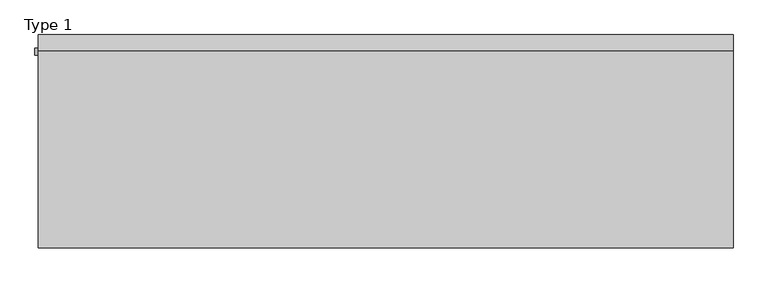
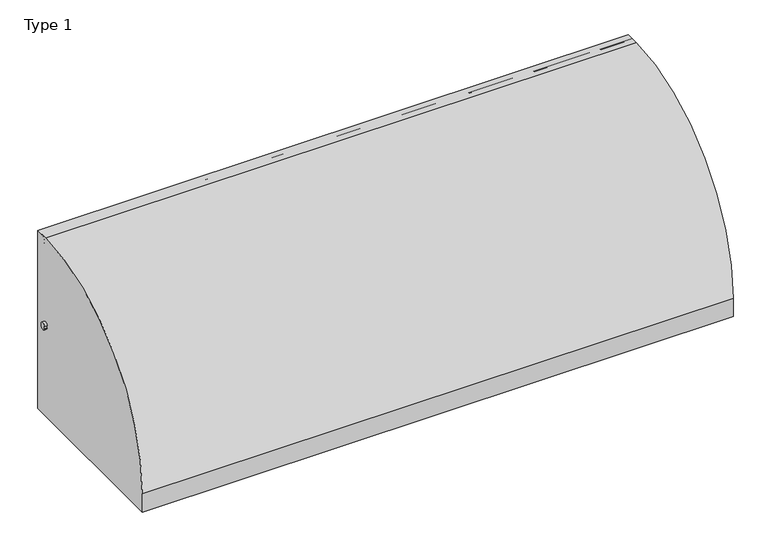
"""IFC4 building model written with IfcOpenShell, lengths in millimetres: railing geometry, Type 1."""

from ifc_helpers import new_model, si_unit, point, frame, frame_2d, origin, origin_with_axes, place, context, project, spatial, polyline, circle_curve, trimmed, segment, composite_curve, outline, extrude, source, transform, mapped, element, save
from ifc_brep_helpers import plane_surface, cylinder_surface, revolved_surface, advanced_brep


def type_1_6a43d6e7(model_context):
    return source(origin(), model_context, "Body", "SolidModel", [
        extrude(outline(composite_curve([segment(polyline([(209.2, 1050.0), (209.2, 0.0), (-802.2, 0.0), (-802.2, 108.0)]), True, "CONTINUOUS"), segment(trimmed(circle_curve(frame_2d((139.8273072, 108.0)), 942.0273072), [point((-802.2, 108.0))], [point((132.6546144, 1050.0))], False, "CARTESIAN"), True, "CONTINUOUS"), segment(polyline([(132.6546144, 1050.0), (209.2, 1050.0)]), True, "CONTINUOUS")], self_intersect=False)), frame((-395.0, 0.0, 0.0), z_axis=(1.0, 0.0, 0.0), x_axis=(0.0, 1.0, 0.0)), (0.0, 0.0, 1.0), 3295.0),
        extrude(outline(composite_curve([segment(polyline([(112.7, 530.617273), (116.7, 530.617273), (116.7, 545.382727), (112.7, 545.382727)]), True, "CONTINUOUS"), segment(trimmed(circle_curve(frame_2d((131.287505, 538.0)), 20.0), [point((112.7, 545.382727))], [point((147.0, 550.3740657))], False, "CARTESIAN"), True, "CONTINUOUS"), segment(polyline([(147.0, 550.3740657), (147.0, 525.6259343)]), True, "CONTINUOUS"), segment(trimmed(circle_curve(frame_2d((131.287505, 538.0)), 20.0), [point((147.0, 525.6259343))], [point((112.7, 530.617273))], False, "CARTESIAN"), True, "CONTINUOUS")], self_intersect=False)), frame((-410.0, 0.0, 0.0), z_axis=(1.0, 0.0, 0.0), x_axis=(0.0, 1.0, 0.0)), (0.0, 0.0, 1.0), 3260.0),
        extrude(outline(composite_curve([segment(polyline([(187.0, 1011.43534), (187.0, 993.0), (186.0, 993.0), (186.0, 1008.0), (146.0, 1008.0), (146.0, 993.0), (145.0, 993.0), (145.0, 1011.43534)]), True, "CONTINUOUS"), segment(trimmed(circle_curve(frame_2d((166.0, 1025.0)), 25.0), [point((145.0, 1011.43534))], [point((187.0, 1011.43534))], False, "CARTESIAN"), True, "CONTINUOUS")], self_intersect=False)), frame((-395.0, 0.0, 0.0), z_axis=(1.0, 0.0, 0.0), x_axis=(0.0, 1.0, 0.0)), (0.0, 0.0, 1.0), 3295.0),
        extrude(outline(polyline([(1170.0, 185.0), (1215.0, 185.0), (1215.0, 0.0), (1170.0, 0.0), (1170.0, 185.0)])), origin_with_axes(), (0.0, 0.0, 1.0), 2.5),
        extrude(outline(composite_curve([segment(polyline([(185.0, 185.0), (185.0, 0.0), (0.0, 0.0), (0.0, 54.9560848)]), True, "CONTINUOUS"), segment(trimmed(circle_curve(frame_2d((15.0, 54.9560848)), 15.0), [point((0.0, 54.9560848))], [point((4.3933983, 65.5626865))], False, "CARTESIAN"), True, "CONTINUOUS"), segment(polyline([(4.3933983, 65.5626865), (102.485009, 163.6542973)]), True, "CONTINUOUS"), segment(trimmed(circle_curve(frame_2d((154.0180942, 112.1212122)), 72.8787879), [point((102.485009, 163.6542973))], [point((154.0180942, 185.0))], False, "CARTESIAN"), True, "CONTINUOUS"), segment(polyline([(154.0180942, 185.0), (185.0, 185.0)]), True, "CONTINUOUS")], self_intersect=False), holes=[composite_curve([segment(trimmed(circle_curve(frame_2d((165.5151515, 93.0361975)), 67.389419), [point((98.1257325, 93.0361975))], [point((157.417745, 159.9373619))], False, "CARTESIAN"), True, "CONTINUOUS"), segment(trimmed(circle_curve(frame_2d((157.6849895, 157.7293747)), 2.2241014), [point((157.417745, 159.9373619))], [point((159.9090909, 157.7293747))], False, "CARTESIAN"), True, "CONTINUOUS"), segment(polyline([(159.9090909, 157.7293747), (159.9090909, 143.5676849)]), True, "CONTINUOUS"), segment(trimmed(circle_curve(frame_2d((165.5151515, 143.5676849)), 5.6060606), [point((159.9090909, 143.5676849))], [point((171.1212121, 143.5676849))], True, "CARTESIAN"), True, "CONTINUOUS"), segment(polyline([(171.1212121, 143.5676849), (171.1212121, 166.0316771)]), True, "CONTINUOUS"), segment(trimmed(circle_curve(frame_2d((165.5151515, 166.0316771)), 5.6060606), [point((171.1212121, 166.0316771))], [point((165.5151515, 171.6377377))], True, "CARTESIAN"), True, "CONTINUOUS"), segment(trimmed(circle_curve(frame_2d((165.5151515, 93.0361975)), 78.6015402), [point((165.5151515, 171.6377377))], [point((86.9136113, 93.0361975))], True, "CARTESIAN"), True, "CONTINUOUS"), segment(trimmed(circle_curve(frame_2d((92.5196719, 93.0361975)), 5.6060606), [point((86.9136113, 93.0361975))], [point((98.1257325, 93.0361975))], True, "CARTESIAN"), True, "CONTINUOUS")], self_intersect=False)]), frame((1215.0, 0.0, 0.0), z_axis=(1.0, 0.0, 0.0), x_axis=(0.0, 1.0, 0.0)), (0.0, 0.0, 1.0), 3.0),
        advanced_brep(
        [(1282.0, 185.0, 185.0), (1282.0, 185.0, 100.9768515), (1282.0, 185.0, 0.0), (1282.0, 0.0, 0.0), (1282.0, 0.0, 54.9560848), (1282.0, 4.3933983, 65.5626865), (1282.0, 102.485009, 163.6542973), (1282.0, 154.0180942, 185.0), (1282.0, 98.1257325, 93.0361975), (1282.0, 157.417745, 159.9373619), (1282.0, 159.9090909, 157.7293747), (1282.0, 159.9090909, 143.5676849), (1282.0, 171.1212121, 143.5676849), (1282.0, 171.1212121, 166.0316771), (1282.0, 165.5151515, 171.6377377), (1282.0, 86.9136113, 93.0361975), (1285.0, 0.0, 54.9560848), (1285.0, 0.0, 2.5), (1285.0, 185.0, 2.5), (1285.0, 185.0, 100.9768515), (1285.0, 188.0, 100.9768515), (1285.0, 188.0, 185.0), (1285.0, 154.0180942, 185.0), (1285.0, 102.485009, 163.6542973), (1285.0, 4.3933983, 65.5626865), (1285.0, 98.1257325, 93.0361975), (1285.0, 86.9136113, 93.0361975), (1285.0, 165.5151515, 171.6377377), (1285.0, 171.1212121, 166.0316771), (1285.0, 171.1212121, 143.5676849), (1285.0, 159.9090909, 143.5676849), (1285.0, 159.9090909, 157.7293747), (1285.0, 157.417745, 159.9373619), (1215.0, 188.0, 185.0), (1215.0, 185.0, 185.0), (1330.0, 0.0, 0.0), (1330.0, 0.0, 2.5), (1330.0, 185.0, 0.0), (1330.0, 185.0, 2.5), (1215.0, 188.0, 100.9768515), (1215.0, 185.0, 100.9768515)],
        [
            (0, 1),
            (1, 2),
            (2, 3),
            (3, 4),
            (4, 5, circle_curve(frame((1282.0, 15.0, 54.9560848), z_axis=(-1.0, 0.0, 0.0), x_axis=(0.0, 1.0, 0.0)), 15.0)),
            (5, 6),
            (6, 7, circle_curve(frame((1282.0, 154.0180942, 112.1212122), z_axis=(-1.0, 0.0, 0.0), x_axis=(0.0, 1.0, 0.0)), 72.8787879)),
            (7, 0),
            (8, 9, circle_curve(frame((1282.0, 165.5151515, 93.0361975), z_axis=(-1.0, 0.0, 0.0), x_axis=(0.0, 1.0, 0.0)), 67.389419)),
            (9, 10, circle_curve(frame((1282.0, 157.6849895, 157.7293747), z_axis=(-1.0, 0.0, 0.0), x_axis=(0.0, 1.0, 0.0)), 2.2241014)),
            (10, 11),
            (11, 12, circle_curve(frame((1282.0, 165.5151515, 143.5676849), z_axis=(1.0, 0.0, 0.0), x_axis=(0.0, 1.0, 0.0)), 5.6060606)),
            (12, 13),
            (13, 14, circle_curve(frame((1282.0, 165.5151515, 166.0316771), z_axis=(1.0, 0.0, 0.0), x_axis=(0.0, 1.0, 0.0)), 5.6060606)),
            (14, 15, circle_curve(frame((1282.0, 165.5151515, 93.0361975), z_axis=(1.0, 0.0, 0.0), x_axis=(0.0, 1.0, 0.0)), 78.6015402)),
            (15, 8, circle_curve(frame((1282.0, 92.5196719, 93.0361975), z_axis=(1.0, 0.0, 0.0), x_axis=(0.0, 1.0, 0.0)), 5.6060606)),
            (16, 17),
            (17, 18),
            (18, 19),
            (19, 20),
            (20, 21),
            (21, 22),
            (22, 23, circle_curve(frame((1285.0, 154.0180942, 112.1212122), z_axis=(1.0, 0.0, 0.0), x_axis=(0.0, 1.0, 0.0)), 72.8787879)),
            (23, 24),
            (24, 16, circle_curve(frame((1285.0, 15.0, 54.9560848), z_axis=(1.0, 0.0, 0.0), x_axis=(0.0, 1.0, 0.0)), 15.0)),
            (25, 26, circle_curve(frame((1285.0, 92.5196719, 93.0361975), z_axis=(-1.0, 0.0, 0.0), x_axis=(0.0, 1.0, 0.0)), 5.6060606)),
            (26, 27, circle_curve(frame((1285.0, 165.5151515, 93.0361975), z_axis=(-1.0, 0.0, 0.0), x_axis=(0.0, 1.0, 0.0)), 78.6015402)),
            (27, 28, circle_curve(frame((1285.0, 165.5151515, 166.0316771), z_axis=(-1.0, 0.0, 0.0), x_axis=(0.0, 1.0, 0.0)), 5.6060606)),
            (28, 29),
            (29, 30, circle_curve(frame((1285.0, 165.5151515, 143.5676849), z_axis=(-1.0, 0.0, 0.0), x_axis=(0.0, 1.0, 0.0)), 5.6060606)),
            (30, 31),
            (31, 32, circle_curve(frame((1285.0, 157.6849895, 157.7293747), z_axis=(1.0, 0.0, 0.0), x_axis=(0.0, 1.0, 0.0)), 2.2241014)),
            (32, 25, circle_curve(frame((1285.0, 165.5151515, 93.0361975), z_axis=(1.0, 0.0, 0.0), x_axis=(0.0, 1.0, 0.0)), 67.389419)),
            (7, 22),
            (21, 33),
            (33, 34),
            (34, 0),
            (6, 23),
            (5, 24),
            (4, 16),
            (3, 35),
            (35, 36),
            (36, 17),
            (2, 37),
            (37, 35),
            (1, 19),
            (18, 38),
            (38, 37),
            (15, 26),
            (25, 8),
            (14, 27),
            (13, 28),
            (32, 9),
            (12, 29),
            (11, 30),
            (10, 31),
            (20, 39),
            (39, 33),
            (40, 1),
            (34, 40),
            (39, 40),
            (36, 38),
        ],
        [
            plane_surface(frame((1282.0, 183.2270223, 185.0), z_axis=(-1.0, 0.0, 0.0), x_axis=(0.0, -1.0, 0.0))),
            plane_surface(frame((1285.0, 183.2270223, 185.0), z_axis=(1.0, 0.0, 0.0), x_axis=(0.0, 1.0, 0.0))),
            plane_surface(frame((1282.0, 185.0, 185.0), z_axis=(0.0, 0.0, 1.0), x_axis=(1.0, 0.0, 0.0))),
            cylinder_surface(frame((1285.0, 154.0180942, 112.1212122), z_axis=(-1.0, 0.0, 0.0), x_axis=(0.0, 1.0, 0.0)), 72.8787879),
            plane_surface(frame((1282.0, 102.485009, 163.6542973), z_axis=(0.0, -0.7071067811865421, 0.707106781186553), x_axis=(1.0, 0.0, 0.0))),
            cylinder_surface(frame((1285.0, 15.0, 54.9560848), z_axis=(-1.0, 0.0, 0.0), x_axis=(0.0, 1.0, 0.0)), 15.0),
            plane_surface(frame((1282.0, 0.0, 54.9560848), z_axis=(0.0, -1.0, 0.0), x_axis=(1.0, 0.0, 0.0))),
            plane_surface(frame((1282.0, 0.0, 0.0), z_axis=(0.0, 0.0, -1.0), x_axis=(1.0, 0.0, 0.0))),
            plane_surface(frame((1282.0, 185.0, 0.0), z_axis=(0.0, 1.0, 0.0), x_axis=(1.0, 0.0, 0.0))),
            revolved_surface(polyline([(1285.0, 98.12573250000001, 93.0361975), (1282.0, 98.12573250000001, 93.0361975)]), (1285.0, 92.5196719, 93.0361975), (1.0, 0.0, 0.0)),
            revolved_surface(polyline([(1285.0, 244.1166917, 93.0361975), (1282.0, 244.1166917, 93.0361975)]), (1285.0, 165.5151515, 93.0361975), (1.0, 0.0, 0.0)),
            revolved_surface(polyline([(1285.0, 171.1212121, 166.0316771), (1282.0, 171.1212121, 166.0316771)]), (1285.0, 165.5151515, 166.0316771), (1.0, 0.0, 0.0)),
            cylinder_surface(frame((1285.0, 165.5151515, 93.0361975), z_axis=(-1.0, 0.0, 0.0), x_axis=(0.0, 1.0, 0.0)), 67.389419),
            plane_surface(frame((1282.0, 171.1212121, 166.0316771), z_axis=(0.0, -1.0, 0.0), x_axis=(1.0, 0.0, 0.0))),
            revolved_surface(polyline([(1285.0, 171.1212121, 143.5676849), (1282.0, 171.1212121, 143.5676849)]), (1285.0, 165.5151515, 143.5676849), (1.0, 0.0, 0.0)),
            plane_surface(frame((1282.0, 159.9090909, 143.5676849), z_axis=(0.0, 1.0, 0.0), x_axis=(1.0, 0.0, 0.0))),
            cylinder_surface(frame((1285.0, 157.6849895, 157.7293747), z_axis=(-1.0, 0.0, 0.0), x_axis=(0.0, 1.0, 0.0)), 2.2241014),
            plane_surface(frame((1215.0, 188.0, 185.0), z_axis=(0.0, 1.0, 0.0), x_axis=(-1.0, 0.0, 0.0))),
            plane_surface(frame((1215.0, 185.0, 185.0), z_axis=(0.0, -1.0, 0.0), x_axis=(1.0, 0.0, 0.0))),
            plane_surface(frame((1215.0, 188.0, 185.0), z_axis=(-1.0, 0.0, 0.0), x_axis=(0.0, -1.0, 0.0))),
            plane_surface(frame((1215.0, 188.0, 100.9768515), z_axis=(0.0, 0.0, -1.0), x_axis=(0.0, -1.0, 0.0))),
            plane_surface(frame((1330.0, 185.0, 2.5), z_axis=(0.0, 0.0, 1.0), x_axis=(0.0, -1.0, 0.0))),
            plane_surface(frame((1330.0, 185.0, 2.5), z_axis=(1.0, 0.0, 0.0), x_axis=(0.0, 0.0, -1.0))),
        ],
        [
            (0, [[1, 2, 3, 4, 5, 6, 7, 8], [9, 10, 11, 12, 13, 14, 15, 16]]),
            (1, [[17, 18, 19, 20, 21, 22, 23, 24, 25], [26, 27, 28, 29, 30, 31, 32, 33]]),
            (2, [[34, -22, 35, 36, 37, -8]]),
            (3, [[38, -23, -34, -7]]),
            (4, [[39, -24, -38, -6]]),
            (5, [[40, -25, -39, -5]]),
            (6, [[41, 42, 43, -17, -40, -4]]),
            (7, [[44, 45, -41, -3]]),
            (8, [[-2, 46, -19, 47, 48, -44]]),
            (9, [[49, -26, 50, -16]]),
            (10, [[51, -27, -49, -15]]),
            (11, [[52, -28, -51, -14]]),
            (12, [[-50, -33, 53, -9]]),
            (13, [[54, -29, -52, -13]]),
            (14, [[55, -30, -54, -12]]),
            (15, [[56, -31, -55, -11]]),
            (16, [[-53, -32, -56, -10]]),
            (17, [[-21, 57, 58, -35]]),
            (18, [[59, -1, -37, 60]]),
            (19, [[61, -60, -36, -58]]),
            (20, [[-20, -46, -59, -61, -57]]),
            (21, [[-47, -18, -43, 62]]),
            (22, [[-42, -45, -48, -62]]),
        ],
    ),
        extrude(outline(composite_curve([segment(polyline([(1227.0, 185.0), (1273.0, 185.0)]), True, "CONTINUOUS"), segment(trimmed(circle_curve(frame_2d((1273.0, 180.0)), 5.0), [point((1273.0, 185.0))], [point((1278.0, 180.0))], False, "CARTESIAN"), True, "CONTINUOUS"), segment(polyline([(1278.0, 180.0), (1278.0, 152.0)]), True, "CONTINUOUS"), segment(trimmed(circle_curve(frame_2d((1273.0, 152.0)), 5.0), [point((1278.0, 152.0))], [point((1273.0, 147.0))], False, "CARTESIAN"), True, "CONTINUOUS"), segment(polyline([(1273.0, 147.0), (1227.0, 147.0)]), True, "CONTINUOUS"), segment(trimmed(circle_curve(frame_2d((1227.0, 152.0)), 5.0), [point((1227.0, 147.0))], [point((1222.0, 152.0))], False, "CARTESIAN"), True, "CONTINUOUS"), segment(polyline([(1222.0, 152.0), (1222.0, 180.0)]), True, "CONTINUOUS"), segment(trimmed(circle_curve(frame_2d((1227.0, 180.0)), 5.0), [point((1222.0, 180.0))], [point((1227.0, 185.0))], False, "CARTESIAN"), True, "CONTINUOUS")], self_intersect=False)), frame((0.0, 0.0, 43.0), z_axis=(0.0, 0.0, 1.0), x_axis=(1.0, 0.0, 0.0)), (0.0, 0.0, 1.0), 965.0),
        extrude(outline(polyline([(2392.0, 185.0), (2437.0, 185.0), (2437.0, 0.0), (2392.0, 0.0), (2392.0, 185.0)])), origin_with_axes(), (0.0, 0.0, 1.0), 2.5),
        extrude(outline(composite_curve([segment(polyline([(185.0, 185.0), (185.0, 0.0), (0.0, 0.0), (0.0, 54.9560848)]), True, "CONTINUOUS"), segment(trimmed(circle_curve(frame_2d((15.0, 54.9560848)), 15.0), [point((0.0, 54.9560848))], [point((4.3933983, 65.5626865))], False, "CARTESIAN"), True, "CONTINUOUS"), segment(polyline([(4.3933983, 65.5626865), (102.485009, 163.6542973)]), True, "CONTINUOUS"), segment(trimmed(circle_curve(frame_2d((154.0180942, 112.1212122)), 72.8787879), [point((102.485009, 163.6542973))], [point((154.0180942, 185.0))], False, "CARTESIAN"), True, "CONTINUOUS"), segment(polyline([(154.0180942, 185.0), (185.0, 185.0)]), True, "CONTINUOUS")], self_intersect=False), holes=[composite_curve([segment(trimmed(circle_curve(frame_2d((165.5151515, 93.0361975)), 67.389419), [point((98.1257325, 93.0361975))], [point((157.417745, 159.9373619))], False, "CARTESIAN"), True, "CONTINUOUS"), segment(trimmed(circle_curve(frame_2d((157.6849895, 157.7293747)), 2.2241014), [point((157.417745, 159.9373619))], [point((159.9090909, 157.7293747))], False, "CARTESIAN"), True, "CONTINUOUS"), segment(polyline([(159.9090909, 157.7293747), (159.9090909, 143.5676849)]), True, "CONTINUOUS"), segment(trimmed(circle_curve(frame_2d((165.5151515, 143.5676849)), 5.6060606), [point((159.9090909, 143.5676849))], [point((171.1212121, 143.5676849))], True, "CARTESIAN"), True, "CONTINUOUS"), segment(polyline([(171.1212121, 143.5676849), (171.1212121, 166.0316771)]), True, "CONTINUOUS"), segment(trimmed(circle_curve(frame_2d((165.5151515, 166.0316771)), 5.6060606), [point((171.1212121, 166.0316771))], [point((165.5151515, 171.6377377))], True, "CARTESIAN"), True, "CONTINUOUS"), segment(trimmed(circle_curve(frame_2d((165.5151515, 93.0361975)), 78.6015402), [point((165.5151515, 171.6377377))], [point((86.9136113, 93.0361975))], True, "CARTESIAN"), True, "CONTINUOUS"), segment(trimmed(circle_curve(frame_2d((92.5196719, 93.0361975)), 5.6060606), [point((86.9136113, 93.0361975))], [point((98.1257325, 93.0361975))], True, "CARTESIAN"), True, "CONTINUOUS")], self_intersect=False)]), frame((2437.0, 0.0, 0.0), z_axis=(1.0, 0.0, 0.0), x_axis=(0.0, 1.0, 0.0)), (0.0, 0.0, 1.0), 3.0),
        advanced_brep(
        [(2504.0, 185.0, 185.0), (2504.0, 185.0, 100.9768515), (2504.0, 185.0, 0.0), (2504.0, 0.0, 0.0), (2504.0, 0.0, 54.9560848), (2504.0, 4.3933983, 65.5626865), (2504.0, 102.485009, 163.6542973), (2504.0, 154.0180942, 185.0), (2504.0, 98.1257325, 93.0361975), (2504.0, 157.417745, 159.9373619), (2504.0, 159.9090909, 157.7293747), (2504.0, 159.9090909, 143.5676849), (2504.0, 171.1212121, 143.5676849), (2504.0, 171.1212121, 166.0316771), (2504.0, 165.5151515, 171.6377377), (2504.0, 86.9136113, 93.0361975), (2507.0, 0.0, 54.9560848), (2507.0, 0.0, 2.5), (2507.0, 185.0, 2.5), (2507.0, 185.0, 100.9768515), (2507.0, 188.0, 100.9768515), (2507.0, 188.0, 185.0), (2507.0, 154.0180942, 185.0), (2507.0, 102.485009, 163.6542973), (2507.0, 4.3933983, 65.5626865), (2507.0, 98.1257325, 93.0361975), (2507.0, 86.9136113, 93.0361975), (2507.0, 165.5151515, 171.6377377), (2507.0, 171.1212121, 166.0316771), (2507.0, 171.1212121, 143.5676849), (2507.0, 159.9090909, 143.5676849), (2507.0, 159.9090909, 157.7293747), (2507.0, 157.417745, 159.9373619), (2437.0, 188.0, 185.0), (2437.0, 185.0, 185.0), (2552.0, 0.0, 0.0), (2552.0, 0.0, 2.5), (2552.0, 185.0, 0.0), (2552.0, 185.0, 2.5), (2437.0, 188.0, 100.9768515), (2437.0, 185.0, 100.9768515)],
        [
            (0, 1),
            (1, 2),
            (2, 3),
            (3, 4),
            (4, 5, circle_curve(frame((2504.0, 15.0, 54.9560848), z_axis=(-1.0, 0.0, 0.0), x_axis=(0.0, 1.0, 0.0)), 15.0)),
            (5, 6),
            (6, 7, circle_curve(frame((2504.0, 154.0180942, 112.1212122), z_axis=(-1.0, 0.0, 0.0), x_axis=(0.0, 1.0, 0.0)), 72.8787879)),
            (7, 0),
            (8, 9, circle_curve(frame((2504.0, 165.5151515, 93.0361975), z_axis=(-1.0, 0.0, 0.0), x_axis=(0.0, 1.0, 0.0)), 67.389419)),
            (9, 10, circle_curve(frame((2504.0, 157.6849895, 157.7293747), z_axis=(-1.0, 0.0, 0.0), x_axis=(0.0, 1.0, 0.0)), 2.2241014)),
            (10, 11),
            (11, 12, circle_curve(frame((2504.0, 165.5151515, 143.5676849), z_axis=(1.0, 0.0, 0.0), x_axis=(0.0, 1.0, 0.0)), 5.6060606)),
            (12, 13),
            (13, 14, circle_curve(frame((2504.0, 165.5151515, 166.0316771), z_axis=(1.0, 0.0, 0.0), x_axis=(0.0, 1.0, 0.0)), 5.6060606)),
            (14, 15, circle_curve(frame((2504.0, 165.5151515, 93.0361975), z_axis=(1.0, 0.0, 0.0), x_axis=(0.0, 1.0, 0.0)), 78.6015402)),
            (15, 8, circle_curve(frame((2504.0, 92.5196719, 93.0361975), z_axis=(1.0, 0.0, 0.0), x_axis=(0.0, 1.0, 0.0)), 5.6060606)),
            (16, 17),
            (17, 18),
            (18, 19),
            (19, 20),
            (20, 21),
            (21, 22),
            (22, 23, circle_curve(frame((2507.0, 154.0180942, 112.1212122), z_axis=(1.0, 0.0, 0.0), x_axis=(0.0, 1.0, 0.0)), 72.8787879)),
            (23, 24),
            (24, 16, circle_curve(frame((2507.0, 15.0, 54.9560848), z_axis=(1.0, 0.0, 0.0), x_axis=(0.0, 1.0, 0.0)), 15.0)),
            (25, 26, circle_curve(frame((2507.0, 92.5196719, 93.0361975), z_axis=(-1.0, 0.0, 0.0), x_axis=(0.0, 1.0, 0.0)), 5.6060606)),
            (26, 27, circle_curve(frame((2507.0, 165.5151515, 93.0361975), z_axis=(-1.0, 0.0, 0.0), x_axis=(0.0, 1.0, 0.0)), 78.6015402)),
            (27, 28, circle_curve(frame((2507.0, 165.5151515, 166.0316771), z_axis=(-1.0, 0.0, 0.0), x_axis=(0.0, 1.0, 0.0)), 5.6060606)),
            (28, 29),
            (29, 30, circle_curve(frame((2507.0, 165.5151515, 143.5676849), z_axis=(-1.0, 0.0, 0.0), x_axis=(0.0, 1.0, 0.0)), 5.6060606)),
            (30, 31),
            (31, 32, circle_curve(frame((2507.0, 157.6849895, 157.7293747), z_axis=(1.0, 0.0, 0.0), x_axis=(0.0, 1.0, 0.0)), 2.2241014)),
            (32, 25, circle_curve(frame((2507.0, 165.5151515, 93.0361975), z_axis=(1.0, 0.0, 0.0), x_axis=(0.0, 1.0, 0.0)), 67.389419)),
            (7, 22),
            (21, 33),
            (33, 34),
            (34, 0),
            (6, 23),
            (5, 24),
            (4, 16),
            (3, 35),
            (35, 36),
            (36, 17),
            (2, 37),
            (37, 35),
            (1, 19),
            (18, 38),
            (38, 37),
            (15, 26),
            (25, 8),
            (14, 27),
            (13, 28),
            (32, 9),
            (12, 29),
            (11, 30),
            (10, 31),
            (20, 39),
            (39, 33),
            (40, 1),
            (34, 40),
            (39, 40),
            (36, 38),
        ],
        [
            plane_surface(frame((2504.0, 183.2270223, 185.0), z_axis=(-1.0, 0.0, 0.0), x_axis=(0.0, -1.0, 0.0))),
            plane_surface(frame((2507.0, 183.2270223, 185.0), z_axis=(1.0, 0.0, 0.0), x_axis=(0.0, 1.0, 0.0))),
            plane_surface(frame((2504.0, 185.0, 185.0), z_axis=(0.0, 0.0, 1.0), x_axis=(1.0, 0.0, 0.0))),
            cylinder_surface(frame((2507.0, 154.0180942, 112.1212122), z_axis=(-1.0, 0.0, 0.0), x_axis=(0.0, 1.0, 0.0)), 72.8787879),
            plane_surface(frame((2504.0, 102.485009, 163.6542973), z_axis=(0.0, -0.7071067811865421, 0.707106781186553), x_axis=(1.0, 0.0, 0.0))),
            cylinder_surface(frame((2507.0, 15.0, 54.9560848), z_axis=(-1.0, 0.0, 0.0), x_axis=(0.0, 1.0, 0.0)), 15.0),
            plane_surface(frame((2504.0, 0.0, 54.9560848), z_axis=(0.0, -1.0, 0.0), x_axis=(1.0, 0.0, 0.0))),
            plane_surface(frame((2504.0, 0.0, 0.0), z_axis=(0.0, 0.0, -1.0), x_axis=(1.0, 0.0, 0.0))),
            plane_surface(frame((2504.0, 185.0, 0.0), z_axis=(0.0, 1.0, 0.0), x_axis=(1.0, 0.0, 0.0))),
            revolved_surface(polyline([(2507.0, 98.12573250000001, 93.0361975), (2504.0, 98.12573250000001, 93.0361975)]), (2507.0, 92.5196719, 93.0361975), (1.0, 0.0, 0.0)),
            revolved_surface(polyline([(2507.0, 244.1166917, 93.0361975), (2504.0, 244.1166917, 93.0361975)]), (2507.0, 165.5151515, 93.0361975), (1.0, 0.0, 0.0)),
            revolved_surface(polyline([(2507.0, 171.1212121, 166.0316771), (2504.0, 171.1212121, 166.0316771)]), (2507.0, 165.5151515, 166.0316771), (1.0, 0.0, 0.0)),
            cylinder_surface(frame((2507.0, 165.5151515, 93.0361975), z_axis=(-1.0, 0.0, 0.0), x_axis=(0.0, 1.0, 0.0)), 67.389419),
            plane_surface(frame((2504.0, 171.1212121, 166.0316771), z_axis=(0.0, -1.0, 0.0), x_axis=(1.0, 0.0, 0.0))),
            revolved_surface(polyline([(2507.0, 171.1212121, 143.5676849), (2504.0, 171.1212121, 143.5676849)]), (2507.0, 165.5151515, 143.5676849), (1.0, 0.0, 0.0)),
            plane_surface(frame((2504.0, 159.9090909, 143.5676849), z_axis=(0.0, 1.0, 0.0), x_axis=(1.0, 0.0, 0.0))),
            cylinder_surface(frame((2507.0, 157.6849895, 157.7293747), z_axis=(-1.0, 0.0, 0.0), x_axis=(0.0, 1.0, 0.0)), 2.2241014),
            plane_surface(frame((2437.0, 188.0, 185.0), z_axis=(0.0, 1.0, 0.0), x_axis=(-1.0, 0.0, 0.0))),
            plane_surface(frame((2437.0, 185.0, 185.0), z_axis=(0.0, -1.0, 0.0), x_axis=(1.0, 0.0, 0.0))),
            plane_surface(frame((2437.0, 188.0, 185.0), z_axis=(-1.0, 0.0, 0.0), x_axis=(0.0, -1.0, 0.0))),
            plane_surface(frame((2437.0, 188.0, 100.9768515), z_axis=(0.0, 0.0, -1.0), x_axis=(0.0, -1.0, 0.0))),
            plane_surface(frame((2552.0, 185.0, 2.5), z_axis=(0.0, 0.0, 1.0), x_axis=(0.0, -1.0, 0.0))),
            plane_surface(frame((2552.0, 185.0, 2.5), z_axis=(1.0, 0.0, 0.0), x_axis=(0.0, 0.0, -1.0))),
        ],
        [
            (0, [[1, 2, 3, 4, 5, 6, 7, 8], [9, 10, 11, 12, 13, 14, 15, 16]]),
            (1, [[17, 18, 19, 20, 21, 22, 23, 24, 25], [26, 27, 28, 29, 30, 31, 32, 33]]),
            (2, [[34, -22, 35, 36, 37, -8]]),
            (3, [[38, -23, -34, -7]]),
            (4, [[39, -24, -38, -6]]),
            (5, [[40, -25, -39, -5]]),
            (6, [[41, 42, 43, -17, -40, -4]]),
            (7, [[44, 45, -41, -3]]),
            (8, [[-2, 46, -19, 47, 48, -44]]),
            (9, [[49, -26, 50, -16]]),
            (10, [[51, -27, -49, -15]]),
            (11, [[52, -28, -51, -14]]),
            (12, [[-50, -33, 53, -9]]),
            (13, [[54, -29, -52, -13]]),
            (14, [[55, -30, -54, -12]]),
            (15, [[56, -31, -55, -11]]),
            (16, [[-53, -32, -56, -10]]),
            (17, [[-21, 57, 58, -35]]),
            (18, [[59, -1, -37, 60]]),
            (19, [[61, -60, -36, -58]]),
            (20, [[-20, -46, -59, -61, -57]]),
            (21, [[-47, -18, -43, 62]]),
            (22, [[-42, -45, -48, -62]]),
        ],
    ),
        extrude(outline(composite_curve([segment(polyline([(2449.0, 185.0), (2495.0, 185.0)]), True, "CONTINUOUS"), segment(trimmed(circle_curve(frame_2d((2495.0, 180.0)), 5.0), [point((2495.0, 185.0))], [point((2500.0, 180.0))], False, "CARTESIAN"), True, "CONTINUOUS"), segment(polyline([(2500.0, 180.0), (2500.0, 152.0)]), True, "CONTINUOUS"), segment(trimmed(circle_curve(frame_2d((2495.0, 152.0)), 5.0), [point((2500.0, 152.0))], [point((2495.0, 147.0))], False, "CARTESIAN"), True, "CONTINUOUS"), segment(polyline([(2495.0, 147.0), (2449.0, 147.0)]), True, "CONTINUOUS"), segment(trimmed(circle_curve(frame_2d((2449.0, 152.0)), 5.0), [point((2449.0, 147.0))], [point((2444.0, 152.0))], False, "CARTESIAN"), True, "CONTINUOUS"), segment(polyline([(2444.0, 152.0), (2444.0, 180.0)]), True, "CONTINUOUS"), segment(trimmed(circle_curve(frame_2d((2449.0, 180.0)), 5.0), [point((2444.0, 180.0))], [point((2449.0, 185.0))], False, "CARTESIAN"), True, "CONTINUOUS")], self_intersect=False)), frame((0.0, 0.0, 43.0), z_axis=(0.0, 0.0, 1.0), x_axis=(1.0, 0.0, 0.0)), (0.0, 0.0, 1.0), 965.0),
        extrude(outline(polyline([(-52.0, 185.0), (-7.0, 185.0), (-7.0, 0.0), (-52.0, 0.0), (-52.0, 185.0)])), origin_with_axes(), (0.0, 0.0, 1.0), 2.5),
        extrude(outline(composite_curve([segment(polyline([(185.0, 185.0), (185.0, 0.0), (0.0, 0.0), (0.0, 54.9560848)]), True, "CONTINUOUS"), segment(trimmed(circle_curve(frame_2d((15.0, 54.9560848)), 15.0), [point((0.0, 54.9560848))], [point((4.3933983, 65.5626865))], False, "CARTESIAN"), True, "CONTINUOUS"), segment(polyline([(4.3933983, 65.5626865), (102.485009, 163.6542972)]), True, "CONTINUOUS"), segment(trimmed(circle_curve(frame_2d((154.0180942, 112.1212121)), 72.8787879), [point((102.485009, 163.6542972))], [point((154.0180942, 185.0))], False, "CARTESIAN"), True, "CONTINUOUS"), segment(polyline([(154.0180942, 185.0), (185.0, 185.0)]), True, "CONTINUOUS")], self_intersect=False), holes=[composite_curve([segment(trimmed(circle_curve(frame_2d((165.5151515, 93.0361974)), 67.389419), [point((98.1257325, 93.0361974))], [point((157.417745, 159.9373618))], False, "CARTESIAN"), True, "CONTINUOUS"), segment(trimmed(circle_curve(frame_2d((157.6849895, 157.7293746)), 2.2241014), [point((157.417745, 159.9373618))], [point((159.9090909, 157.7293746))], False, "CARTESIAN"), True, "CONTINUOUS"), segment(polyline([(159.9090909, 157.7293746), (159.9090909, 143.5676849)]), True, "CONTINUOUS"), segment(trimmed(circle_curve(frame_2d((165.5151515, 143.5676849)), 5.6060606), [point((159.9090909, 143.5676849))], [point((171.1212121, 143.5676849))], True, "CARTESIAN"), True, "CONTINUOUS"), segment(polyline([(171.1212121, 143.5676849), (171.1212121, 166.031677)]), True, "CONTINUOUS"), segment(trimmed(circle_curve(frame_2d((165.5151515, 166.031677)), 5.6060606), [point((171.1212121, 166.031677))], [point((165.5151515, 171.6377376))], True, "CARTESIAN"), True, "CONTINUOUS"), segment(trimmed(circle_curve(frame_2d((165.5151515, 93.0361974)), 78.6015402), [point((165.5151515, 171.6377376))], [point((86.9136113, 93.0361974))], True, "CARTESIAN"), True, "CONTINUOUS"), segment(trimmed(circle_curve(frame_2d((92.5196719, 93.0361974)), 5.6060606), [point((86.9136113, 93.0361974))], [point((98.1257325, 93.0361974))], True, "CARTESIAN"), True, "CONTINUOUS")], self_intersect=False)]), frame((-7.0, 0.0, 0.0), z_axis=(1.0, 0.0, 0.0), x_axis=(0.0, 1.0, 0.0)), (0.0, 0.0, 1.0), 3.0),
        advanced_brep(
        [(60.0, 185.0, 185.0), (60.0, 185.0, 100.9768514), (60.0, 185.0, 0.0), (60.0, 0.0, 0.0), (60.0, 0.0, 54.9560848), (60.0, 4.3933983, 65.5626865), (60.0, 102.485009, 163.6542972), (60.0, 154.0180942, 185.0), (60.0, 98.1257325, 93.0361974), (60.0, 157.417745, 159.9373618), (60.0, 159.9090909, 157.7293746), (60.0, 159.9090909, 143.5676849), (60.0, 171.1212121, 143.5676849), (60.0, 171.1212121, 166.031677), (60.0, 165.5151515, 171.6377376), (60.0, 86.9136113, 93.0361974), (63.0, 0.0, 54.9560848), (63.0, 0.0, 2.5), (63.0, 185.0, 2.5), (63.0, 185.0, 100.9768514), (63.0, 188.0, 100.9768514), (63.0, 188.0, 185.0), (63.0, 154.0180942, 185.0), (63.0, 102.485009, 163.6542972), (63.0, 4.3933983, 65.5626865), (63.0, 98.1257325, 93.0361974), (63.0, 86.9136113, 93.0361974), (63.0, 165.5151515, 171.6377376), (63.0, 171.1212121, 166.031677), (63.0, 171.1212121, 143.5676849), (63.0, 159.9090909, 143.5676849), (63.0, 159.9090909, 157.7293746), (63.0, 157.417745, 159.9373618), (-7.0, 188.0, 185.0), (-7.0, 185.0, 185.0), (108.0, 0.0, 0.0), (108.0, 0.0, 2.5), (108.0, 185.0, 0.0), (108.0, 185.0, 2.5), (-7.0, 188.0, 100.9768514), (-7.0, 185.0, 100.9768514)],
        [
            (0, 1),
            (1, 2),
            (2, 3),
            (3, 4),
            (4, 5, circle_curve(frame((60.0, 15.0, 54.9560848), z_axis=(-1.0, 0.0, 0.0), x_axis=(0.0, 1.0, 0.0)), 15.0)),
            (5, 6),
            (6, 7, circle_curve(frame((60.0, 154.0180942, 112.1212121), z_axis=(-1.0, 0.0, 0.0), x_axis=(0.0, 1.0, 0.0)), 72.8787879)),
            (7, 0),
            (8, 9, circle_curve(frame((60.0, 165.5151515, 93.0361974), z_axis=(-1.0, 0.0, 0.0), x_axis=(0.0, 1.0, 0.0)), 67.389419)),
            (9, 10, circle_curve(frame((60.0, 157.6849895, 157.7293746), z_axis=(-1.0, 0.0, 0.0), x_axis=(0.0, 1.0, 0.0)), 2.2241014)),
            (10, 11),
            (11, 12, circle_curve(frame((60.0, 165.5151515, 143.5676849), z_axis=(1.0, 0.0, 0.0), x_axis=(0.0, 1.0, 0.0)), 5.6060606)),
            (12, 13),
            (13, 14, circle_curve(frame((60.0, 165.5151515, 166.031677), z_axis=(1.0, 0.0, 0.0), x_axis=(0.0, 1.0, 0.0)), 5.6060606)),
            (14, 15, circle_curve(frame((60.0, 165.5151515, 93.0361974), z_axis=(1.0, 0.0, 0.0), x_axis=(0.0, 1.0, 0.0)), 78.6015402)),
            (15, 8, circle_curve(frame((60.0, 92.5196719, 93.0361974), z_axis=(1.0, 0.0, 0.0), x_axis=(0.0, 1.0, 0.0)), 5.6060606)),
            (16, 17),
            (17, 18),
            (18, 19),
            (19, 20),
            (20, 21),
            (21, 22),
            (22, 23, circle_curve(frame((63.0, 154.0180942, 112.1212121), z_axis=(1.0, 0.0, 0.0), x_axis=(0.0, 1.0, 0.0)), 72.8787879)),
            (23, 24),
            (24, 16, circle_curve(frame((63.0, 15.0, 54.9560848), z_axis=(1.0, 0.0, 0.0), x_axis=(0.0, 1.0, 0.0)), 15.0)),
            (25, 26, circle_curve(frame((63.0, 92.5196719, 93.0361974), z_axis=(-1.0, 0.0, 0.0), x_axis=(0.0, 1.0, 0.0)), 5.6060606)),
            (26, 27, circle_curve(frame((63.0, 165.5151515, 93.0361974), z_axis=(-1.0, 0.0, 0.0), x_axis=(0.0, 1.0, 0.0)), 78.6015402)),
            (27, 28, circle_curve(frame((63.0, 165.5151515, 166.031677), z_axis=(-1.0, 0.0, 0.0), x_axis=(0.0, 1.0, 0.0)), 5.6060606)),
            (28, 29),
            (29, 30, circle_curve(frame((63.0, 165.5151515, 143.5676849), z_axis=(-1.0, 0.0, 0.0), x_axis=(0.0, 1.0, 0.0)), 5.6060606)),
            (30, 31),
            (31, 32, circle_curve(frame((63.0, 157.6849895, 157.7293746), z_axis=(1.0, 0.0, 0.0), x_axis=(0.0, 1.0, 0.0)), 2.2241014)),
            (32, 25, circle_curve(frame((63.0, 165.5151515, 93.0361974), z_axis=(1.0, 0.0, 0.0), x_axis=(0.0, 1.0, 0.0)), 67.389419)),
            (7, 22),
            (21, 33),
            (33, 34),
            (34, 0),
            (6, 23),
            (5, 24),
            (4, 16),
            (3, 35),
            (35, 36),
            (36, 17),
            (2, 37),
            (37, 35),
            (1, 19),
            (18, 38),
            (38, 37),
            (15, 26),
            (25, 8),
            (14, 27),
            (13, 28),
            (32, 9),
            (12, 29),
            (11, 30),
            (10, 31),
            (20, 39),
            (39, 33),
            (40, 1),
            (34, 40),
            (39, 40),
            (36, 38),
        ],
        [
            plane_surface(frame((60.0, 183.2270223, 185.0), z_axis=(-1.0, 0.0, 0.0), x_axis=(0.0, -1.0, 0.0))),
            plane_surface(frame((63.0, 183.2270223, 185.0), z_axis=(1.0, 0.0, 0.0), x_axis=(0.0, 1.0, 0.0))),
            plane_surface(frame((60.0, 185.0, 185.0), z_axis=(0.0, 0.0, 1.0), x_axis=(1.0, 0.0, 0.0))),
            cylinder_surface(frame((63.0, 154.0180942, 112.1212121), z_axis=(-1.0, 0.0, 0.0), x_axis=(0.0, 1.0, 0.0)), 72.8787879),
            plane_surface(frame((60.0, 102.485009, 163.6542972), z_axis=(0.0, -0.7071067811865421, 0.707106781186553), x_axis=(1.0, 0.0, 0.0))),
            cylinder_surface(frame((63.0, 15.0, 54.9560848), z_axis=(-1.0, 0.0, 0.0), x_axis=(0.0, 1.0, 0.0)), 15.0),
            plane_surface(frame((60.0, 0.0, 54.9560848), z_axis=(0.0, -1.0, 0.0), x_axis=(1.0, 0.0, 0.0))),
            plane_surface(frame((60.0, 0.0, 0.0), z_axis=(0.0, 0.0, -1.0), x_axis=(1.0, 0.0, 0.0))),
            plane_surface(frame((60.0, 185.0, 0.0), z_axis=(0.0, 1.0, 0.0), x_axis=(1.0, 0.0, 0.0))),
            revolved_surface(polyline([(63.0, 98.12573250000001, 93.0361974), (60.0, 98.12573250000001, 93.0361974)]), (63.0, 92.5196719, 93.0361974), (1.0, 0.0, 0.0)),
            revolved_surface(polyline([(63.0, 244.1166917, 93.0361974), (60.0, 244.1166917, 93.0361974)]), (63.0, 165.5151515, 93.0361974), (1.0, 0.0, 0.0)),
            revolved_surface(polyline([(63.0, 171.1212121, 166.031677), (60.0, 171.1212121, 166.031677)]), (63.0, 165.5151515, 166.031677), (1.0, 0.0, 0.0)),
            cylinder_surface(frame((63.0, 165.5151515, 93.0361974), z_axis=(-1.0, 0.0, 0.0), x_axis=(0.0, 1.0, 0.0)), 67.389419),
            plane_surface(frame((60.0, 171.1212121, 166.031677), z_axis=(0.0, -1.0, 0.0), x_axis=(1.0, 0.0, 0.0))),
            revolved_surface(polyline([(63.0, 171.1212121, 143.5676849), (60.0, 171.1212121, 143.5676849)]), (63.0, 165.5151515, 143.5676849), (1.0, 0.0, 0.0)),
            plane_surface(frame((60.0, 159.9090909, 143.5676849), z_axis=(0.0, 1.0, 0.0), x_axis=(1.0, 0.0, 0.0))),
            cylinder_surface(frame((63.0, 157.6849895, 157.7293746), z_axis=(-1.0, 0.0, 0.0), x_axis=(0.0, 1.0, 0.0)), 2.2241014),
            plane_surface(frame((-7.0, 188.0, 185.0), z_axis=(0.0, 1.0, 0.0), x_axis=(-1.0, 0.0, 0.0))),
            plane_surface(frame((-7.0, 185.0, 185.0), z_axis=(0.0, -1.0, 0.0), x_axis=(1.0, 0.0, 0.0))),
            plane_surface(frame((-7.0, 188.0, 185.0), z_axis=(-1.0, 0.0, 0.0), x_axis=(0.0, -1.0, 0.0))),
            plane_surface(frame((-7.0, 188.0, 100.9768514), z_axis=(0.0, 0.0, -1.0), x_axis=(0.0, -1.0, 0.0))),
            plane_surface(frame((108.0, 185.0, 2.5), z_axis=(0.0, 0.0, 1.0), x_axis=(0.0, -1.0, 0.0))),
            plane_surface(frame((108.0, 185.0, 2.5), z_axis=(1.0, 0.0, 0.0), x_axis=(0.0, 0.0, -1.0))),
        ],
        [
            (0, [[1, 2, 3, 4, 5, 6, 7, 8], [9, 10, 11, 12, 13, 14, 15, 16]]),
            (1, [[17, 18, 19, 20, 21, 22, 23, 24, 25], [26, 27, 28, 29, 30, 31, 32, 33]]),
            (2, [[34, -22, 35, 36, 37, -8]]),
            (3, [[38, -23, -34, -7]]),
            (4, [[39, -24, -38, -6]]),
            (5, [[40, -25, -39, -5]]),
            (6, [[41, 42, 43, -17, -40, -4]]),
            (7, [[44, 45, -41, -3]]),
            (8, [[-2, 46, -19, 47, 48, -44]]),
            (9, [[49, -26, 50, -16]]),
            (10, [[51, -27, -49, -15]]),
            (11, [[52, -28, -51, -14]]),
            (12, [[-50, -33, 53, -9]]),
            (13, [[54, -29, -52, -13]]),
            (14, [[55, -30, -54, -12]]),
            (15, [[56, -31, -55, -11]]),
            (16, [[-53, -32, -56, -10]]),
            (17, [[-21, 57, 58, -35]]),
            (18, [[59, -1, -37, 60]]),
            (19, [[61, -60, -36, -58]]),
            (20, [[-20, -46, -59, -61, -57]]),
            (21, [[-47, -18, -43, 62]]),
            (22, [[-42, -45, -48, -62]]),
        ],
    ),
        extrude(outline(composite_curve([segment(polyline([(5.0, 185.0), (51.0, 185.0)]), True, "CONTINUOUS"), segment(trimmed(circle_curve(frame_2d((51.0, 180.0)), 5.0), [point((51.0, 185.0))], [point((56.0, 180.0))], False, "CARTESIAN"), True, "CONTINUOUS"), segment(polyline([(56.0, 180.0), (56.0, 152.0)]), True, "CONTINUOUS"), segment(trimmed(circle_curve(frame_2d((51.0, 152.0)), 5.0), [point((56.0, 152.0))], [point((51.0, 147.0))], False, "CARTESIAN"), True, "CONTINUOUS"), segment(polyline([(51.0, 147.0), (5.0, 147.0)]), True, "CONTINUOUS"), segment(trimmed(circle_curve(frame_2d((5.0, 152.0)), 5.0), [point((5.0, 147.0))], [point((0.0, 152.0))], False, "CARTESIAN"), True, "CONTINUOUS"), segment(polyline([(0.0, 152.0), (0.0, 180.0)]), True, "CONTINUOUS"), segment(trimmed(circle_curve(frame_2d((5.0, 180.0)), 5.0), [point((0.0, 180.0))], [point((5.0, 185.0))], False, "CARTESIAN"), True, "CONTINUOUS")], self_intersect=False)), frame((0.0, 0.0, 43.0), z_axis=(0.0, 0.0, 1.0), x_axis=(1.0, 0.0, 0.0)), (0.0, 0.0, 1.0), 965.0),
    ])


if __name__ == "__main__":
    model = new_model("IFC4")
    model_context = context("Model", 3, world=origin())
    ifc_project = project(units=[si_unit("LENGTHUNIT", "METRE", prefix="MILLI")], contexts=[model_context])
    site = spatial("IfcSite", under=ifc_project)
    building = spatial("IfcBuilding", under=site)
    placement = place(None, origin())
    type_1_shape = type_1_6a43d6e7(model_context)
    element("IfcRailing", 1, ObjectType="Type 1", at=placement, inside=building, context=model_context, shape_type="MappedRepresentation", body=[
        mapped(type_1_shape, transform((0.0, 0.0, 0.0), x_axis=(1.0, 0.0, 0.0), y_axis=(0.0, 1.0, 0.0), z_axis=(0.0, 0.0, 1.0))),
    ])
    save(model, "model.ifc")
